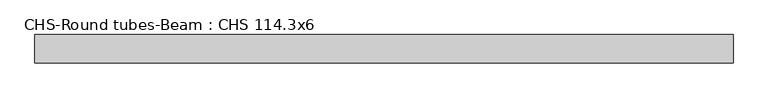
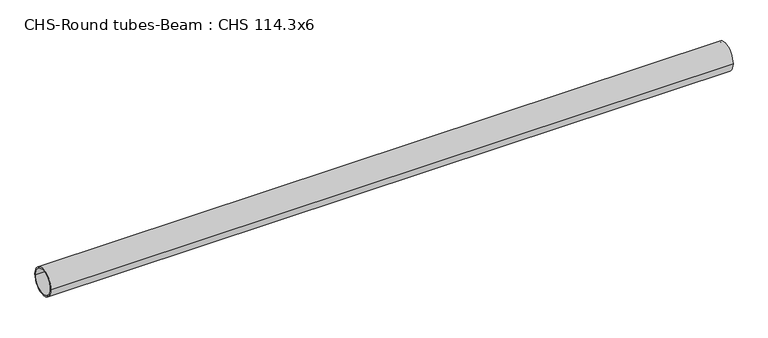
"""IFC4 building model written with IfcOpenShell, lengths in millimetres: beam geometry, CHS-Round tubes-Beam : CHS 114.3x6."""

from ifc_helpers import new_model, si_unit, point, frame, origin, origin_2d, place, context, project, spatial, circle_curve, trimmed, segment, composite_curve, outline, extrude, source, transform, mapped, element, save


def chs_round_tubes_beam_chs_114_3x6_548bbe19(model_context):
    return source(origin(), model_context, "Body", "SweptSolid", [
        extrude(outline(composite_curve([segment(trimmed(circle_curve(origin_2d(), 57.15), [point((57.15, 0.0))], [point((-57.15, 0.0))], False, "CARTESIAN"), True, "CONTINUOUS"), segment(trimmed(circle_curve(origin_2d(), 57.15), [point((-57.15, 0.0))], [point((57.15, 0.0))], False, "CARTESIAN"), True, "CONTINUOUS")], self_intersect=False), holes=[composite_curve([segment(trimmed(circle_curve(origin_2d(), 51.15), [point((51.15, 0.0))], [point((-51.15, 0.0))], True, "CARTESIAN"), True, "CONTINUOUS"), segment(trimmed(circle_curve(origin_2d(), 51.15), [point((-51.15, 0.0))], [point((51.15, 0.0))], True, "CARTESIAN"), True, "CONTINUOUS")], self_intersect=False)]), frame((-1401.160507, 0.0, 0.0), z_axis=(1.0, 0.0, 0.0), x_axis=(0.0, 1.0, 0.0)), (0.0, 0.0, 1.0), 2830.8532564),
    ])


if __name__ == "__main__":
    model = new_model("IFC4")
    model_context = context("Model", 3, world=origin())
    ifc_project = project(units=[si_unit("LENGTHUNIT", "METRE", prefix="MILLI")], contexts=[model_context])
    site = spatial("IfcSite", under=ifc_project)
    building = spatial("IfcBuilding", under=site)
    placement = place(None, origin())
    chs_round_tubes_beam_chs_114_3x6_shape = chs_round_tubes_beam_chs_114_3x6_548bbe19(model_context)
    element("IfcBeam", 1, ObjectType="CHS-Round tubes-Beam : CHS 114.3x6", at=placement, inside=building, context=model_context, shape_type="MappedRepresentation", body=[
        mapped(chs_round_tubes_beam_chs_114_3x6_shape, transform((0.0, 0.0, 0.0), x_axis=(1.0, 0.0, 0.0), y_axis=(0.0, 1.0, 0.0), z_axis=(0.0, 0.0, 1.0))),
    ])
    save(model, "model.ifc")
